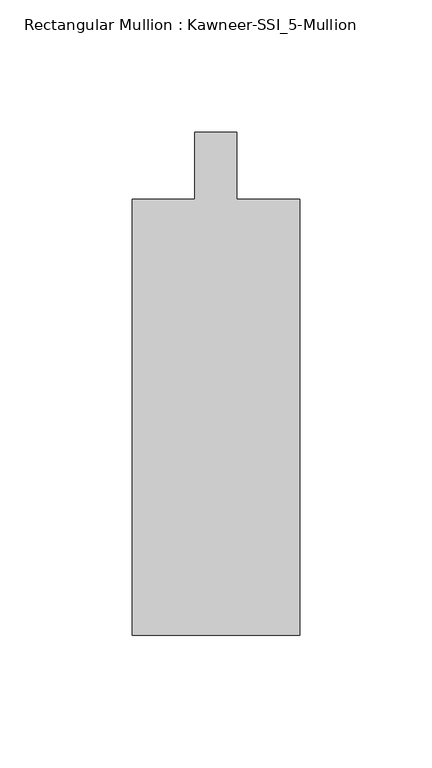
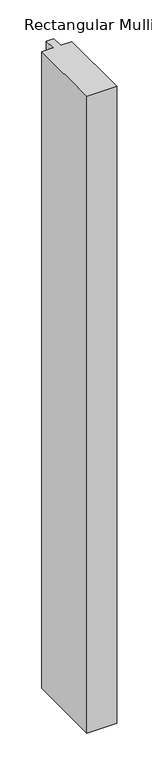
"""IFC4 building model written with IfcOpenShell, lengths in millimetres: member geometry, Rectangular Mullion : Kawneer-SSI_5-Mullion."""

from ifc_helpers import new_model, si_unit, frame, origin, place, context, project, spatial, polyline, outline, extrude, source, transform, mapped, element, save


def rectangular_mullion_kawneer_ssi_5_mullion_8eab82b8(model_context):
    return source(origin(), model_context, "Body", "SweptSolid", [
        extrude(outline(polyline([(-31.75, -177.8), (-31.75, -12.7), (-7.9375, -12.7), (-7.9375, 12.7), (7.9375, 12.7), (7.9375, -12.7), (31.75, -12.7), (31.75, -177.8), (-31.75, -177.8)])), frame((0.0, 0.0, -1428.75), z_axis=(0.0, 0.0, 1.0), x_axis=(1.0, 0.0, 0.0)), (0.0, 0.0, 1.0), 1428.75),
    ])


if __name__ == "__main__":
    model = new_model("IFC4")
    model_context = context("Model", 3, world=origin())
    ifc_project = project(units=[si_unit("LENGTHUNIT", "METRE", prefix="MILLI")], contexts=[model_context])
    site = spatial("IfcSite", under=ifc_project)
    building = spatial("IfcBuilding", under=site)
    placement = place(None, origin())
    rectangular_mullion_kawneer_ssi_5_mullion_shape = rectangular_mullion_kawneer_ssi_5_mullion_8eab82b8(model_context)
    element("IfcMember", 1, ObjectType="Rectangular Mullion : Kawneer-SSI_5-Mullion", at=placement, inside=building, context=model_context, shape_type="MappedRepresentation", body=[
        mapped(rectangular_mullion_kawneer_ssi_5_mullion_shape, transform((0.0, 0.0, 0.0), x_axis=(1.0, 0.0, 0.0), y_axis=(0.0, 1.0, 0.0), z_axis=(0.0, 0.0, 1.0))),
    ])
    save(model, "model.ifc")
